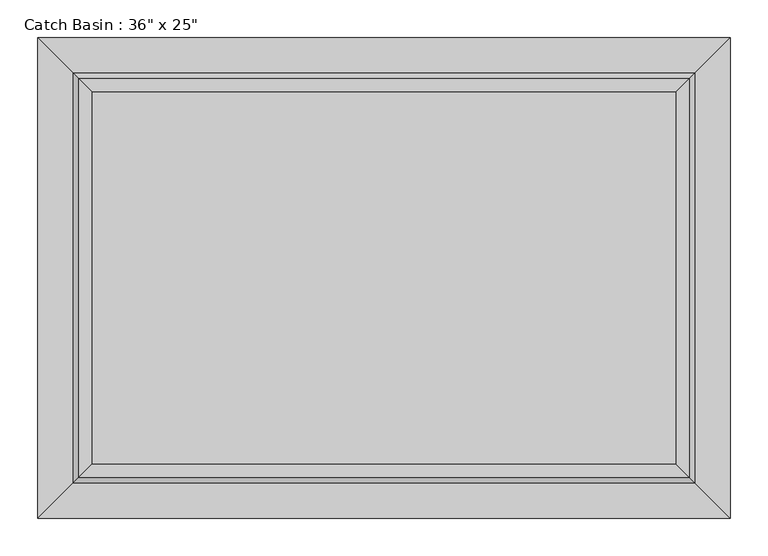
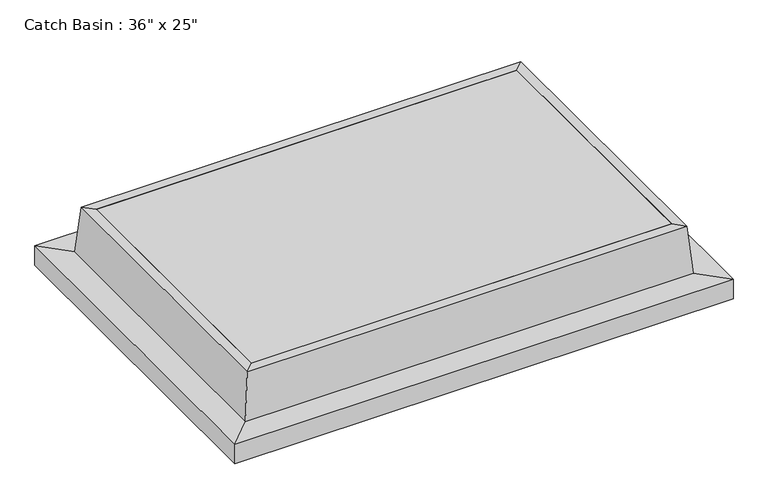
"""IFC4 building model written with IfcOpenShell, lengths in millimetres: geographic element geometry."""

from ifc_helpers import new_model, si_unit, frame, origin, place, context, project, spatial, polyline, outline, extrude, faceted_brep, source, transform, mapped, element, save


def geographic_element_5446b000(model_context):
    return source(origin(), model_context, "Body", "SolidModel", [
        faceted_brep([(385.7625, 246.0625, 127.0), (385.7625, 246.0625, 0.0), (385.7625, -246.0625, 0.0), (385.7625, -246.0625, 127.0), (403.225, 263.525, 127.0), (403.225, -263.525, 127.0), (411.0027422, 271.3027422, 38.1), (411.0027422, -271.3027422, 38.1), (457.2, 317.5, 38.1), (457.2, -317.5, 38.1), (457.2, 317.5, 0.0), (457.2, -317.5, 0.0), (-385.7625, -246.0625, 0.0), (-385.7625, -246.0625, 127.0), (-403.225, -263.525, 127.0), (-411.0027422, -271.3027422, 38.1), (-457.2, -317.5, 38.1), (-457.2, -317.5, 0.0), (-385.7625, 246.0625, 0.0), (-385.7625, 246.0625, 127.0), (-403.225, 263.525, 127.0), (-411.0027422, 271.3027422, 38.1), (-457.2, 317.5, 38.1), (-457.2, 317.5, 0.0)], [[[0, 1, 2, 3]], [[4, 0, 3, 5]], [[6, 4, 5, 7]], [[8, 6, 7, 9]], [[10, 8, 9, 11]], [[1, 10, 11, 2]], [[3, 2, 12, 13]], [[5, 3, 13, 14]], [[7, 5, 14, 15]], [[9, 7, 15, 16]], [[11, 9, 16, 17]], [[2, 11, 17, 12]], [[13, 12, 18, 19]], [[14, 13, 19, 20]], [[15, 14, 20, 21]], [[16, 15, 21, 22]], [[17, 16, 22, 23]], [[12, 17, 23, 18]], [[19, 18, 1, 0]], [[20, 19, 0, 4]], [[21, 20, 4, 6]], [[22, 21, 6, 8]], [[23, 22, 8, 10]], [[18, 23, 10, 1]]]),
        extrude(outline(polyline([(385.7625, 246.0625), (385.7625, -246.0625), (-385.7625, -246.0625), (-385.7625, 246.0625), (385.7625, 246.0625)])), frame((0.0, 0.0, 82.55), z_axis=(0.0, 0.0, 1.0), x_axis=(1.0, 0.0, 0.0)), (0.0, 0.0, 1.0), 44.45),
    ])


if __name__ == "__main__":
    model = new_model("IFC4")
    model_context = context("Model", 3, world=origin())
    ifc_project = project(units=[si_unit("LENGTHUNIT", "METRE", prefix="MILLI")], contexts=[model_context])
    site = spatial("IfcSite", under=ifc_project)
    building = spatial("IfcBuilding", under=site)
    placement = place(None, origin())
    geographic_element_shape = geographic_element_5446b000(model_context)
    element("IfcGeographicElement", 1, ObjectType="Catch Basin : 36\" x 25\"", at=placement, inside=building, context=model_context, shape_type="MappedRepresentation", body=[
        mapped(geographic_element_shape, transform((0.0, 0.0, 0.0), x_axis=(1.0, 0.0, 0.0), y_axis=(0.0, 1.0, 0.0), z_axis=(0.0, 0.0, 1.0))),
    ])
    save(model, "model.ifc")
